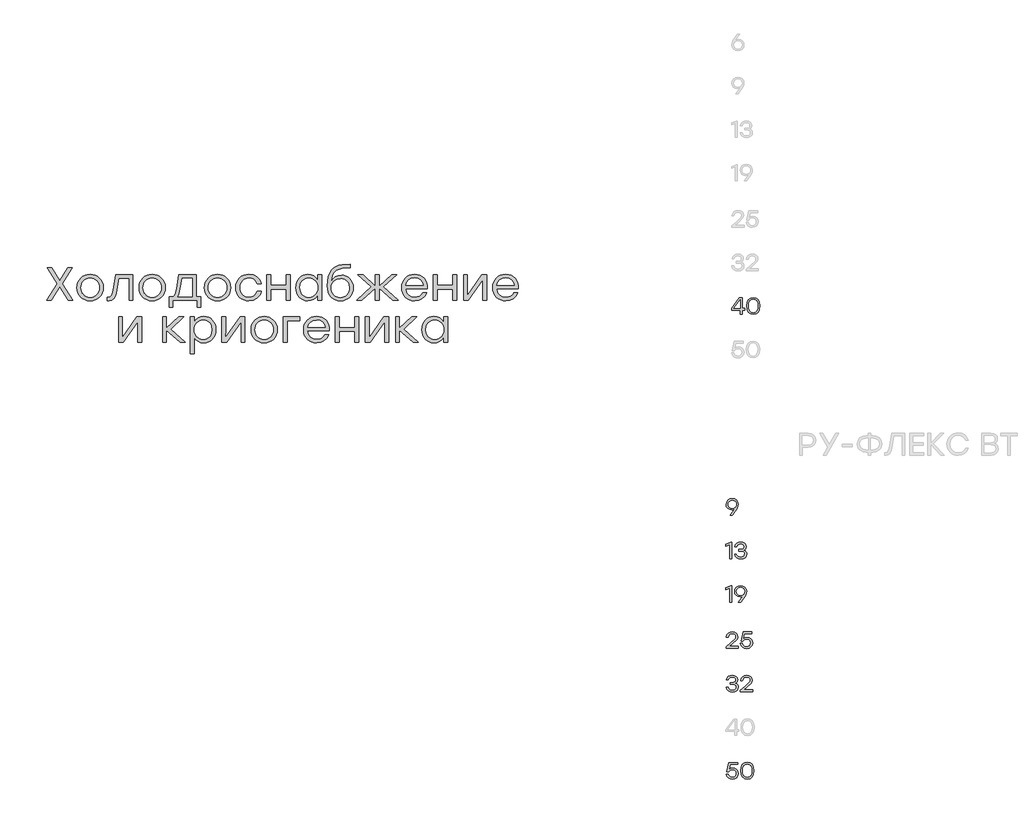
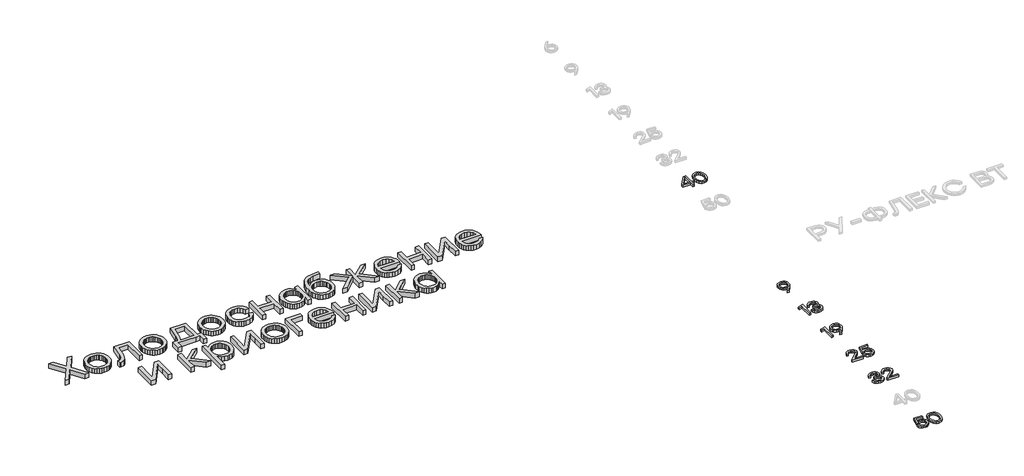
# One storey, part 15 of 41: 8 proxies.
"""IFC4 building model written with IfcOpenShell, lengths in millimetres."""

from ifc_helpers import new_model, si_unit, origin, origin_with_axes, place, context, project, spatial, polyline, outline, extrude, element, save

model = new_model("IFC4")

# Units and contexts
model_context = context("Model", 3, world=origin())
ifc_project = project(units=[si_unit("LENGTHUNIT", "METRE", prefix="MILLI")], contexts=[model_context])

# Site, building, storey
site = spatial("IfcSite", under=ifc_project)
building = spatial("IfcBuilding", under=site)
storey = spatial("IfcBuildingStorey", under=building, Elevation=0.0)

# Proxies
placement = place(None, origin())
element("IfcBuildingElementProxy", 1, Name="Generic Models", at=placement, inside=storey, context=model_context, shape_type="SweptSolid", body=[
    extrude(outline(polyline([(567.7475347, -34199.6682777), (525.5431997, -34199.6682777), (447.1522579, -34076.104255), (369.0822617, -34199.6682777), (326.9581631, -34199.6682777), (425.4081994, -34046.2563222), (331.2106911, -33901.3494228), (373.4150262, -33901.3494228), (447.5534398, -34018.0933534), (522.1732718, -33901.3494228), (564.2973704, -33901.3494228), (469.2974984, -34048.342468), (567.7475347, -34199.6682777)])), origin_with_axes(), (0.0, 0.0, 1.0), 50.0),
    extrude(outline(polyline([(727.4179278, -33960.56387), (751.7997573, -33962.735267), (774.2358546, -33969.249458), (794.7262197, -33980.106443), (813.2708527, -33995.3062219), (828.6461487, -34013.7831554), (839.628503, -34034.4716041), (846.2179156, -34057.371568), (848.4143865, -34082.4830471), (846.2304525, -34107.5920187), (839.6786507, -34130.4844604), (828.7589811, -34151.1603722), (813.4714436, -34169.619754), (794.9894954, -34184.8019813), (774.4865933, -34195.6464293), (751.9627374, -34202.1530981), (727.4179278, -34204.3219877), (703.0135318, -34202.1380538), (680.5899714, -34195.586252), (660.1472466, -34184.6665824), (641.6853574, -34169.3790449), (626.39782, -34150.8419341), (615.4781503, -34130.1735445), (608.9263486, -34107.3738761), (606.7424146, -34082.4429289), (608.9413929, -34057.5119817), (615.5383276, -34034.7123132), (626.5332188, -34014.0439236), (641.9260666, -33995.5068128), (660.4631774, -33980.2192754), (680.8908578, -33969.2996057), (703.209108, -33962.747804), (727.4179278, -33960.56387)]), holes=[polyline([(787.9161571, -34019.2166627), (774.8652087, -34008.2995004), (760.425168, -34000.5015274), (744.5960349, -33995.8227436), (727.3778096, -33994.263149), (710.1721212, -33995.8202362), (694.380599, -34000.4914978), (680.0032429, -34008.2769339), (667.040053, -34019.1765445), (656.3159596, -34032.4732168), (648.6558928, -34047.4498383), (644.0598528, -34064.106409), (642.5278394, -34082.4429289), (644.0598528, -34100.7819561), (648.6558928, -34117.446049), (656.3159596, -34132.4352074), (667.040053, -34145.7494314), (680.0057503, -34156.6665937), (694.3906285, -34164.4645667), (710.1946877, -34169.1433505), (727.4179278, -34170.7029451), (744.7815816, -34169.1433505), (760.6859362, -34164.4645667), (775.1309917, -34156.6665937), (788.1167481, -34145.7494314), (798.8408415, -34132.4352074), (806.5009083, -34117.446049), (811.0969483, -34100.7819561), (812.6289617, -34082.4429289), (811.0844114, -34064.1089164), (806.4507605, -34047.4598679), (798.7280091, -34032.4957833), (787.9161571, -34019.2166627)])]), origin_with_axes(), (0.0, 0.0, 1.0), 50.0),
    extrude(outline(polyline([(961.7081528, -33965.21758), (1121.0576003, -33965.21758), (1121.0576003, -34199.6682777), (1085.6733575, -34199.6682777), (1085.6733575, -33998.515677), (991.4758492, -33998.515677), (974.0645551, -34108.4395155), (963.3128804, -34152.6698191), (948.2284412, -34182.1767473), (928.1492875, -34198.7856776), (902.4134691, -34204.3219877), (883.2369747, -34203.0382056), (883.2369747, -34170.7029451), (895.593377, -34171.5053089), (911.7108595, -34168.0451151), (923.3150457, -34157.6645336), (931.9304268, -34137.916355), (939.0814941, -34106.3533696), (961.7081528, -33965.21758)])), origin_with_axes(), (0.0, 0.0, 1.0), 50.0),
    extrude(outline(polyline([(1297.4171601, -33960.56387), (1321.7989896, -33962.735267), (1344.2350869, -33969.249458), (1364.7254521, -33980.106443), (1383.270085, -33995.3062219), (1398.6453811, -34013.7831554), (1409.6277354, -34034.4716041), (1416.2171479, -34057.371568), (1418.4136188, -34082.4830471), (1416.2296849, -34107.5920187), (1409.6778831, -34130.4844604), (1398.7582135, -34151.1603722), (1383.470676, -34169.619754), (1364.9887277, -34184.8019813), (1344.4858256, -34195.6464293), (1321.9619698, -34202.1530981), (1297.4171601, -34204.3219877), (1273.0127642, -34202.1380538), (1250.5892038, -34195.586252), (1230.146479, -34184.6665824), (1211.6845898, -34169.3790449), (1196.3970523, -34150.8419341), (1185.4773827, -34130.1735445), (1178.9255809, -34107.3738761), (1176.741647, -34082.4429289), (1178.9406252, -34057.5119817), (1185.53756, -34034.7123132), (1196.5324512, -34014.0439236), (1211.9252989, -33995.5068128), (1230.4624097, -33980.2192754), (1250.8900902, -33969.2996057), (1273.2083403, -33962.747804), (1297.4171601, -33960.56387)]), holes=[polyline([(1357.9153895, -34019.2166627), (1344.864441, -34008.2995004), (1330.4244003, -34000.5015274), (1314.5952673, -33995.8227436), (1297.3770419, -33994.263149), (1280.1713535, -33995.8202362), (1264.3798313, -34000.4914978), (1250.0024753, -34008.2769339), (1237.0392854, -34019.1765445), (1226.3151919, -34032.4732168), (1218.6551252, -34047.4498383), (1214.0590851, -34064.106409), (1212.5270718, -34082.4429289), (1214.0590851, -34100.7819561), (1218.6551252, -34117.446049), (1226.3151919, -34132.4352074), (1237.0392854, -34145.7494314), (1250.0049826, -34156.6665937), (1264.3898609, -34164.4645667), (1280.19392, -34169.1433505), (1297.4171601, -34170.7029451), (1314.7808139, -34169.1433505), (1330.6851685, -34164.4645667), (1345.130224, -34156.6665937), (1358.1159804, -34145.7494314), (1368.8400739, -34132.4352074), (1376.5001406, -34117.446049), (1381.0961807, -34100.7819561), (1382.628194, -34082.4429289), (1381.0836437, -34064.1089164), (1376.4499929, -34047.4598679), (1368.7272415, -34032.4957833), (1357.9153895, -34019.2166627)])]), origin_with_axes(), (0.0, 0.0, 1.0), 50.0),
    extrude(outline(polyline([(1702.6108712, -34166.4504171), (1745.2163881, -34166.4504171), (1745.2163881, -34262.3328893), (1709.8321452, -34262.3328893), (1709.8321452, -34199.6682777), (1667.2266283, -34199.6682777), (1488.6204499, -34199.6682777), (1488.6204499, -34262.3328893), (1453.236207, -34262.3328893), (1453.236207, -34166.4504171), (1493.2741599, -34166.4504171), (1502.2506047, -34156.8772142), (1510.0034448, -34141.3966079), (1521.8383106, -34092.7131853), (1542.2985871, -33965.21758), (1702.6108712, -33965.21758), (1702.6108712, -34166.4504171)]), holes=[polyline([(1532.9109308, -34166.4504171), (1667.2266283, -34166.4504171), (1667.2266283, -33998.515677), (1572.5477018, -33998.515677), (1557.2225535, -34093.5155491), (1546.8921198, -34138.1871528), (1532.9109308, -34166.4504171)])]), origin_with_axes(), (0.0, 0.0, 1.0), 50.0),
    extrude(outline(polyline([(1898.2271618, -33960.56387), (1922.6089913, -33962.735267), (1945.0450886, -33969.249458), (1965.5354537, -33980.106443), (1984.0800867, -33995.3062219), (1999.4553827, -34013.7831554), (2010.437737, -34034.4716041), (2017.0271496, -34057.371568), (2019.2236205, -34082.4830471), (2017.0396865, -34107.5920187), (2010.4878848, -34130.4844604), (1999.5682151, -34151.1603722), (1984.2806777, -34169.619754), (1965.7987294, -34184.8019813), (1945.2958273, -34195.6464293), (1922.7719714, -34202.1530981), (1898.2271618, -34204.3219877), (1873.8227658, -34202.1380538), (1851.3992054, -34195.586252), (1830.9564806, -34184.6665824), (1812.4945914, -34169.3790449), (1797.207054, -34150.8419341), (1786.2873843, -34130.1735445), (1779.7355826, -34107.3738761), (1777.5516486, -34082.4429289), (1779.7506269, -34057.5119817), (1786.3475616, -34034.7123132), (1797.3424529, -34014.0439236), (1812.7353006, -33995.5068128), (1831.2724114, -33980.2192754), (1851.7000919, -33969.2996057), (1874.018342, -33962.747804), (1898.2271618, -33960.56387)]), holes=[polyline([(1958.7253911, -34019.2166627), (1945.6744427, -34008.2995004), (1931.234402, -34000.5015274), (1915.4052689, -33995.8227436), (1898.1870436, -33994.263149), (1880.9813552, -33995.8202362), (1865.189833, -34000.4914978), (1850.8124769, -34008.2769339), (1837.849287, -34019.1765445), (1827.1251936, -34032.4732168), (1819.4651268, -34047.4498383), (1814.8690868, -34064.106409), (1813.3370734, -34082.4429289), (1814.8690868, -34100.7819561), (1819.4651268, -34117.446049), (1827.1251936, -34132.4352074), (1837.849287, -34145.7494314), (1850.8149843, -34156.6665937), (1865.1998625, -34164.4645667), (1881.0039217, -34169.1433505), (1898.2271618, -34170.7029451), (1915.5908156, -34169.1433505), (1931.4951702, -34164.4645667), (1945.9402257, -34156.6665937), (1958.9259821, -34145.7494314), (1969.6500755, -34132.4352074), (1977.3101423, -34117.446049), (1981.9061823, -34100.7819561), (1983.4381957, -34082.4429289), (1981.8936454, -34064.1089164), (1977.2599945, -34047.4598679), (1969.5372431, -34032.4957833), (1958.7253911, -34019.2166627)])]), origin_with_axes(), (0.0, 0.0, 1.0), 50.0),
    extrude(outline(polyline([(2186.195524, -34204.3219877), (2161.4526308, -34202.1530981), (2138.8159425, -34195.6464293), (2118.2854592, -34184.8019813), (2099.8611808, -34169.619754), (2084.6614018, -34151.1603722), (2073.8044169, -34130.4844604), (2067.2902259, -34107.5920187), (2065.1188289, -34082.4830471), (2067.2902259, -34057.371568), (2073.8044169, -34034.4716041), (2084.6614018, -34013.7831554), (2099.8611808, -33995.3062219), (2118.2854592, -33980.106443), (2138.8159425, -33969.249458), (2161.4526308, -33962.735267), (2186.195524, -33960.56387), (2225.3809653, -33966.4211257), (2243.0705793, -33973.7426952), (2259.4914557, -33983.9928925), (2273.8612896, -33996.7203881), (2285.3977763, -34011.4738521), (2294.100916, -34028.2532848), (2299.9707086, -34047.058686), (2263.3026836, -34047.058686), (2252.0094134, -34024.903416), (2234.337351, -34007.8632151), (2211.8711651, -33997.0012154), (2186.195524, -33993.3805488), (2168.4708065, -33994.9526804), (2152.3658609, -33999.669075), (2137.8806872, -34007.5297327), (2125.0152854, -34018.5346534), (2114.466709, -34031.9642173), (2106.9320116, -34047.0988042), (2102.4111932, -34063.9384141), (2100.9042537, -34082.4830471), (2102.4111932, -34101.0251726), (2106.9320116, -34117.8572604), (2114.466709, -34132.9793103), (2125.0152854, -34146.3913225), (2137.8806872, -34157.3786915), (2152.3658609, -34165.2268123), (2168.4708065, -34169.9356848), (2186.195524, -34171.5053089), (2211.8210173, -34167.8846423), (2234.1367601, -34157.0226426), (2251.7586747, -34139.9824417), (2263.3026836, -34117.8271718), (2299.9707086, -34117.8271718), (2293.8928029, -34136.7955531), (2285.0467422, -34153.6627443), (2273.4325264, -34168.4287453), (2259.0501556, -34181.0935561), (2225.0700493, -34198.5148798), (2186.195524, -34204.3219877)])), origin_with_axes(), (0.0, 0.0, 1.0), 50.0),
    extrude(outline(polyline([(2531.2119512, -33965.21758), (2566.5961941, -33965.21758), (2566.5961941, -34199.6682777), (2531.2119512, -34199.6682777), (2531.2119512, -34096.4842951), (2387.1876519, -34096.4842951), (2387.1876519, -34199.6682777), (2351.803409, -34199.6682777), (2351.803409, -33965.21758), (2387.1876519, -33965.21758), (2387.1876519, -34062.8652525), (2531.2119512, -34062.8652525), (2531.2119512, -33965.21758)])), origin_with_axes(), (0.0, 0.0, 1.0), 50.0),
    extrude(outline(polyline([(2819.6617317, -33965.21758), (2854.9657382, -33965.21758), (2854.9657382, -34199.6682777), (2819.6617317, -34199.6682777), (2819.6617317, -34152.3288145), (2803.2634218, -34174.0227253), (2782.3116975, -34190.4812124), (2757.4283906, -34200.8617939), (2729.2353332, -34204.3219877), (2706.4181131, -34202.178172), (2685.7070979, -34195.7467248), (2667.1022876, -34185.0276461), (2650.6036823, -34170.0209359), (2637.0888673, -34151.6844161), (2627.435428, -34130.9759083), (2621.6433645, -34107.8954125), (2619.7126766, -34082.4429289), (2621.6433645, -34056.9904452), (2627.435428, -34033.9099495), (2637.0888673, -34013.2014417), (2650.6036823, -33994.8649218), (2667.1022876, -33979.8582117), (2685.7070979, -33969.139133), (2706.4181131, -33962.7076858), (2729.2353332, -33960.56387), (2757.4885679, -33964.0842411), (2782.5524066, -33974.6453544), (2803.5643082, -33991.3846689), (2819.6617317, -34013.4396434), (2819.6617317, -33965.21758)]), holes=[polyline([(2736.0554253, -34170.7029451), (2753.4140643, -34169.1433505), (2769.2231383, -34164.4645667), (2783.4826471, -34156.6665937), (2796.192591, -34145.7494314), (2806.6358571, -34132.4352074), (2814.0953329, -34117.446049), (2818.5710184, -34100.7819561), (2820.0629135, -34082.4429289), (2818.5710184, -34064.106409), (2814.0953329, -34047.4498383), (2806.6358571, -34032.4732168), (2796.192591, -34019.1765445), (2783.4826471, -34008.2769339), (2769.2231383, -34000.4914978), (2753.4140643, -33995.8202362), (2736.0554253, -33994.263149), (2719.0001801, -33995.8202362), (2703.6198694, -34000.4914978), (2689.914493, -34008.2769339), (2677.884051, -34019.1765445), (2668.090198, -34032.4732168), (2661.0945888, -34047.4498383), (2655.4981014, -34082.4429289), (2661.1547661, -34117.7469354), (2668.2255969, -34132.7511381), (2678.1247601, -34145.9901406), (2690.2304237, -34156.8019926), (2703.9207558, -34164.524744), (2719.1957563, -34169.1583949), (2736.0554253, -34170.7029451)])]), origin_with_axes(), (0.0, 0.0, 1.0), 50.0),
    extrude(outline(polyline([(3038.1453901, -33969.0689261), (3060.5639357, -33971.0547765), (3080.9615276, -33977.0123276), (3099.3381656, -33986.9415794), (3115.6938499, -34000.842532), (3129.1209063, -34017.9128215), (3138.7116609, -34037.3500842), (3144.4661137, -34059.15432), (3146.3842646, -34083.325529), (3144.2680301, -34108.9134116), (3137.9193267, -34131.9989221), (3127.3381543, -34152.5820605), (3112.5245129, -34170.6628269), (3094.511446, -34185.3887098), (3074.3319968, -34195.9071975), (3051.9861654, -34202.2182901), (3027.4739518, -34204.3219877), (3002.7736842, -34202.1129799), (2980.2648726, -34195.4859565), (2959.9475172, -34184.4409176), (2941.8216178, -34168.977863), (2926.8901293, -34149.4377975), (2916.1560063, -34126.1617256), (2909.6192488, -34099.1496473), (2907.2798569, -34068.4015626), (2909.626771, -34021.3629858), (2916.6675132, -33981.6660376), (2927.7601925, -33949.110127), (2942.2629179, -33923.4946632), (2961.2889691, -33903.6863073), (2985.9516259, -33888.5517204), (3014.2349493, -33877.8301343), (3044.1230003, -33871.2607808), (3118.7027141, -33866.7675437), (3118.7027141, -33900.0656407), (3043.4811093, -33904.9600598), (3015.8998542, -33912.0409202), (2991.4879361, -33923.4946632), (2971.6494915, -33939.9030026), (2957.7886571, -33961.8476521), (2948.8924487, -33990.1911528), (2943.9478818, -34025.7960457), (2959.9149211, -34001.6549253), (2982.3008707, -33983.7923016), (3009.0597029, -33972.74977), (3038.1453901, -33969.0689261)]), holes=[polyline([(2966.4943042, -34149.1995957), (2979.0437752, -34159.9061375), (2993.1829296, -34167.5536673), (3008.9117671, -34172.1421852), (3026.2302879, -34173.6716911), (3043.5964491, -34172.1396778), (3059.4682077, -34167.5436377), (3073.8455637, -34159.883571), (3086.7285173, -34149.1594775), (3097.3473005, -34135.9580859), (3104.9321456, -34120.8661246), (3109.4830527, -34103.8835936), (3111.0000217, -34085.010493), (3105.3032389, -34050.6392344), (3098.1822603, -34036.1390164), (3088.2128903, -34023.4290725), (3076.0320051, -34013.0911166), (3062.2764809, -34005.7068624), (3046.9463179, -34001.2763099), (3030.0415159, -33999.7994591), (2996.8035961, -34005.7068624), (2982.095265, -34013.0911166), (2968.6606864, -34023.4290725), (2957.4626968, -34036.1139425), (2949.4641329, -34050.5389389), (2944.6649945, -34066.7040618), (2943.0652817, -34084.6093111), (2944.5295956, -34103.6604362), (2948.9225373, -34120.7758587), (2956.2441068, -34135.9555785), (2966.4943042, -34149.1995957)])]), origin_with_axes(), (0.0, 0.0, 1.0), 50.0),
    extrude(outline(polyline([(3557.5154677, -34199.6682777), (3511.0586046, -34199.6682777), (3385.8096178, -34086.294275), (3385.8096178, -34199.6682777), (3350.425375, -34199.6682777), (3350.425375, -34086.294275), (3225.0961518, -34199.6682777), (3178.6392887, -34199.6682777), (3312.8747498, -34076.5054369), (3189.3107271, -33965.21758), (3235.7675902, -33965.21758), (3350.425375, -34070.0865266), (3350.425375, -33965.21758), (3385.8096178, -33965.21758), (3385.8096178, -34070.0865266), (3500.4674026, -33965.21758), (3546.9242657, -33965.21758), (3423.2800066, -34076.5054369), (3557.5154677, -34199.6682777)])), origin_with_axes(), (0.0, 0.0, 1.0), 50.0),
    extrude(outline(polyline([(3710.0448231, -33960.56387), (3735.9386068, -33962.8806955), (3759.0592207, -33969.8311717), (3779.4066648, -33981.4152989), (3796.9809391, -33997.6330769), (3811.0147832, -34017.5016101), (3820.7409367, -34040.0380029), (3826.1593996, -34065.2422552), (3827.2701719, -34093.1143672), (3626.5187531, -34093.1143672), (3634.3016818, -34125.5298641), (3642.1046696, -34138.8491029), (3652.5153397, -34150.2426686), (3679.0334628, -34165.8887624), (3711.729787, -34171.104127), (3735.9912619, -34168.5465925), (3756.3010952, -34160.8739888), (3772.6592869, -34148.086316), (3785.0658369, -34130.183574), (3821.7338618, -34130.183574), (3803.4901153, -34162.1176526), (3777.8044446, -34185.3862024), (3746.2615184, -34199.5880414), (3710.446005, -34204.3219877), (3685.4047327, -34202.2057532), (3662.6752711, -34195.8570498), (3642.2576202, -34185.2758774), (3624.15178, -34170.462236), (3609.3205869, -34152.3187849), (3598.7268775, -34131.7481834), (3592.3706519, -34108.7504314), (3590.2519101, -34083.325529), (3592.358115, -34057.8454641), (3598.6767298, -34034.6822246), (3609.2077545, -34013.8358105), (3623.951189, -33995.3062219), (3641.9692707, -33980.106443), (3662.324237, -33969.249458), (3685.0160878, -33962.735267), (3710.0448231, -33960.56387)]), holes=[polyline([(3710.0448231, -33993.7817307), (3680.9089881, -33998.3652338), (3656.5672768, -34012.1157432), (3638.5040621, -34033.2279402), (3628.2037171, -34059.8965065), (3788.9171831, -34059.8965065), (3779.1885222, -34032.9772016), (3762.0379963, -34011.9151522), (3738.6089738, -33998.3150861), (3710.0448231, -33993.7817307)])]), origin_with_axes(), (0.0, 0.0, 1.0), 50.0),
    extrude(outline(polyline([(4061.4801606, -33965.21758), (4096.8644035, -33965.21758), (4096.8644035, -34199.6682777), (4061.4801606, -34199.6682777), (4061.4801606, -34096.4842951), (3917.4558613, -34096.4842951), (3917.4558613, -34199.6682777), (3882.0716184, -34199.6682777), (3882.0716184, -33965.21758), (3917.4558613, -33965.21758), (3917.4558613, -34062.8652525), (4061.4801606, -34062.8652525), (4061.4801606, -33965.21758)])), origin_with_axes(), (0.0, 0.0, 1.0), 50.0),
    extrude(outline(polyline([(4327.7044642, -33965.21758), (4371.1925813, -33965.21758), (4371.1925813, -34199.6682777), (4335.8083384, -34199.6682777), (4335.8083384, -34087.1768752), (4337.9747206, -34008.3045152), (4202.8566594, -34199.6682777), (4159.3685423, -34199.6682777), (4159.3685423, -33965.21758), (4194.7527851, -33965.21758), (4194.7527851, -34077.7892189), (4192.5864029, -34156.1801606), (4327.7044642, -33965.21758)])), origin_with_axes(), (0.0, 0.0, 1.0), 50.0),
    extrude(outline(polyline([(4547.0707228, -33960.56387), (4572.9645066, -33962.8806955), (4596.0851205, -33969.8311717), (4616.4325646, -33981.4152989), (4634.0068388, -33997.6330769), (4648.0406829, -34017.5016101), (4657.7668364, -34040.0380029), (4663.1852993, -34065.2422552), (4664.2960717, -34093.1143672), (4463.5446529, -34093.1143672), (4471.3275816, -34125.5298641), (4479.1305694, -34138.8491029), (4489.5412395, -34150.2426686), (4516.0593626, -34165.8887624), (4548.7556868, -34171.104127), (4573.0171617, -34168.5465925), (4593.326995, -34160.8739888), (4609.6851866, -34148.086316), (4622.0917366, -34130.183574), (4658.7597616, -34130.183574), (4640.516015, -34162.1176526), (4614.8303444, -34185.3862024), (4583.2874181, -34199.5880414), (4547.4719047, -34204.3219877), (4522.4306325, -34202.2057532), (4499.7011709, -34195.8570498), (4479.28352, -34185.2758774), (4461.1776797, -34170.462236), (4446.3464866, -34152.3187849), (4435.7527773, -34131.7481834), (4429.3965517, -34108.7504314), (4427.2778098, -34083.325529), (4429.3840148, -34057.8454641), (4435.7026296, -34034.6822246), (4446.2336542, -34013.8358105), (4460.9770888, -33995.3062219), (4478.9951705, -33980.106443), (4499.3501367, -33969.249458), (4522.0419875, -33962.735267), (4547.0707228, -33960.56387)]), holes=[polyline([(4547.0707228, -33993.7817307), (4517.9348879, -33998.3652338), (4493.5931766, -34012.1157432), (4475.5299619, -34033.2279402), (4465.2296168, -34059.8965065), (4625.9430828, -34059.8965065), (4616.2144219, -34032.9772016), (4599.063896, -34011.9151522), (4575.6348735, -33998.3150861), (4547.0707228, -33993.7817307)])]), origin_with_axes(), (0.0, 0.0, 1.0), 50.0),
    extrude(outline(polyline([(1156.7627887, -34351.6504312), (1200.2509059, -34351.6504312), (1200.2509059, -34586.101129), (1164.866663, -34586.101129), (1164.866663, -34473.6097264), (1167.0330452, -34394.7373664), (1031.9149839, -34586.101129), (988.4268668, -34586.101129), (988.4268668, -34351.6504312), (1023.8111097, -34351.6504312), (1023.8111097, -34464.2220701), (1021.6447275, -34542.6130119), (1156.7627887, -34351.6504312)])), origin_with_axes(), (0.0, 0.0, 1.0), 50.0),
    extrude(outline(polyline([(1601.2723252, -34586.101129), (1554.8154621, -34586.101129), (1429.486239, -34473.1283081), (1429.486239, -34586.101129), (1394.1019961, -34586.101129), (1394.1019961, -34351.6504312), (1429.486239, -34351.6504312), (1429.486239, -34456.1181959), (1543.7428419, -34351.6504312), (1590.199705, -34351.6504312), (1466.9566277, -34462.9382881), (1601.2723252, -34586.101129)])), origin_with_axes(), (0.0, 0.0, 1.0), 50.0),
    extrude(outline(polyline([(1773.6200661, -34346.9967213), (1796.4372862, -34349.140537), (1817.1483014, -34355.5719842), (1835.7531116, -34366.2910629), (1852.251717, -34381.297773), (1865.7665319, -34399.6342929), (1875.4199712, -34420.3428007), (1881.2120348, -34443.4232964), (1883.1427227, -34468.8757801), (1881.1969905, -34494.3282638), (1875.3597939, -34517.4087595), (1865.6311331, -34538.1172673), (1852.0110078, -34556.4537871), (1835.4070923, -34571.4604973), (1816.7270604, -34582.179576), (1795.9709123, -34588.6110232), (1773.1386478, -34590.7548389), (1745.0057676, -34587.2946451), (1720.1425199, -34576.9140636), (1699.3111501, -34560.4555765), (1683.273904, -34538.7616657), (1683.273904, -34692.6550395), (1647.8896611, -34692.6550395), (1647.8896611, -34351.6504312), (1683.273904, -34351.6504312), (1683.273904, -34399.8724946), (1699.3612979, -34377.8175201), (1720.3431108, -34361.0782057), (1745.3768609, -34350.5170924), (1773.6200661, -34346.9967213)]), holes=[polyline([(1766.7999739, -34557.1357964), (1783.692239, -34555.5912461), (1798.9847912, -34550.9575952), (1812.6776307, -34543.2348438), (1824.7707573, -34532.4229918), (1834.6523688, -34519.1839894), (1841.7106627, -34504.1797866), (1847.3572979, -34468.8757801), (1841.7106627, -34433.8826895), (1834.6523688, -34418.906068), (1824.7707573, -34405.6093957), (1812.6776307, -34394.7097852), (1798.9847912, -34386.9243491), (1783.692239, -34382.2530874), (1766.7999739, -34380.6960002), (1749.4413349, -34382.2530874), (1733.632261, -34386.9243491), (1719.3727521, -34394.7097852), (1706.6628083, -34405.6093957), (1696.2195422, -34418.906068), (1688.7600664, -34433.8826895), (1684.2843809, -34450.5392602), (1682.7924857, -34468.8757801), (1684.2843809, -34487.2148073), (1688.7600664, -34503.8789002), (1696.2195422, -34518.8680586), (1706.6628083, -34532.1822827), (1719.3727521, -34543.0994449), (1733.632261, -34550.8974179), (1749.4413349, -34555.5762017), (1766.7999739, -34557.1357964)])]), origin_with_axes(), (0.0, 0.0, 1.0), 50.0),
    extrude(outline(polyline([(2106.7615093, -34351.6504312), (2150.2496264, -34351.6504312), (2150.2496264, -34586.101129), (2114.8653835, -34586.101129), (2114.8653835, -34473.6097264), (2117.0317658, -34394.7373664), (1981.9137045, -34586.101129), (1938.4255874, -34586.101129), (1938.4255874, -34351.6504312), (1973.8098303, -34351.6504312), (1973.8098303, -34464.2220701), (1971.6434481, -34542.6130119), (2106.7615093, -34351.6504312)])), origin_with_axes(), (0.0, 0.0, 1.0), 50.0),
    extrude(outline(polyline([(2327.0103681, -34346.9967213), (2351.3921976, -34349.1681182), (2373.8282949, -34355.6823092), (2394.3186601, -34366.5392942), (2412.863293, -34381.7390731), (2428.238589, -34400.2160066), (2439.2209433, -34420.9044553), (2445.8103559, -34443.8044192), (2448.0068268, -34468.9158983), (2445.8228929, -34494.0248699), (2439.2710911, -34516.9173117), (2428.3514215, -34537.5932234), (2413.063884, -34556.0526052), (2394.5819357, -34571.2348325), (2374.0790336, -34582.0792805), (2351.5551777, -34588.5859493), (2327.0103681, -34590.7548389), (2302.6059721, -34588.570905), (2280.1824118, -34582.0191032), (2259.739687, -34571.0994336), (2241.2777978, -34555.8118961), (2225.9902603, -34537.2747853), (2215.0705907, -34516.6063957), (2208.5187889, -34493.8067273), (2206.334855, -34468.8757801), (2208.5338332, -34443.9448329), (2215.1307679, -34421.1451645), (2226.1256592, -34400.4767749), (2241.5185069, -34381.9396641), (2260.0556177, -34366.6521266), (2280.4832982, -34355.732457), (2302.8015483, -34349.1806552), (2327.0103681, -34346.9967213)]), holes=[polyline([(2387.5085974, -34405.6495139), (2374.457649, -34394.7323516), (2360.0176083, -34386.9343786), (2344.1884753, -34382.2555948), (2326.9702499, -34380.6960002), (2309.7645615, -34382.2530874), (2293.9730393, -34386.9243491), (2279.5956832, -34394.7097852), (2266.6324933, -34405.6093957), (2255.9083999, -34418.906068), (2248.2483331, -34433.8826895), (2243.6522931, -34450.5392602), (2242.1202797, -34468.8757801), (2243.6522931, -34487.2148073), (2248.2483331, -34503.8789002), (2255.9083999, -34518.8680586), (2266.6324933, -34532.1822827), (2279.5981906, -34543.0994449), (2293.9830688, -34550.8974179), (2309.787128, -34555.5762017), (2327.0103681, -34557.1357964), (2344.3740219, -34555.5762017), (2360.2783765, -34550.8974179), (2374.723432, -34543.0994449), (2387.7091884, -34532.1822827), (2398.4332818, -34518.8680586), (2406.0933486, -34503.8789002), (2410.6893886, -34487.2148073), (2412.221402, -34468.8757801), (2410.6768517, -34450.5417676), (2406.0432009, -34433.8927191), (2398.3204494, -34418.9286345), (2387.5085974, -34405.6495139)])]), origin_with_axes(), (0.0, 0.0, 1.0), 50.0),
    extrude(outline(polyline([(2655.8992833, -34351.6504312), (2655.8992833, -34384.9485282), (2538.6739344, -34384.9485282), (2538.6739344, -34586.101129), (2503.2896915, -34586.101129), (2503.2896915, -34351.6504312), (2655.8992833, -34351.6504312)])), origin_with_axes(), (0.0, 0.0, 1.0), 50.0),
    extrude(outline(polyline([(2808.8298206, -34346.9967213), (2834.7236043, -34349.3135467), (2857.8442182, -34356.264023), (2878.1916623, -34367.8481501), (2895.7659366, -34384.0659281), (2909.7997807, -34403.9344613), (2919.5259342, -34426.4708541), (2924.9443971, -34451.6751065), (2926.0551694, -34479.5472184), (2725.3037506, -34479.5472184), (2733.0866793, -34511.9627153), (2740.8896671, -34525.2819541), (2751.3003372, -34536.6755199), (2777.8184603, -34552.3216136), (2810.5147845, -34557.5369782), (2834.7762594, -34554.9794437), (2855.0860927, -34547.30684), (2871.4442844, -34534.5191672), (2883.8508344, -34516.6164252), (2920.5188593, -34516.6164252), (2902.2751128, -34548.5505039), (2876.5894421, -34571.8190536), (2845.0465159, -34586.0208926), (2809.2310025, -34590.7548389), (2784.1897302, -34588.6386044), (2761.4602687, -34582.289901), (2741.0426177, -34571.7087286), (2722.9367775, -34556.8950872), (2708.1055844, -34538.7516361), (2697.511875, -34518.1810346), (2691.1556494, -34495.1832827), (2689.0369076, -34469.7583802), (2691.1431125, -34444.2783153), (2697.4617273, -34421.1150758), (2707.992752, -34400.2686618), (2722.7361865, -34381.7390731), (2740.7542682, -34366.5392942), (2761.1092345, -34355.6823092), (2783.8010853, -34349.1681182), (2808.8298206, -34346.9967213)]), holes=[polyline([(2808.8298206, -34380.2145819), (2779.6939857, -34384.798085), (2755.3522743, -34398.5485944), (2737.2890597, -34419.6607915), (2726.9887146, -34446.3293577), (2887.7021806, -34446.3293577), (2877.9735197, -34419.4100528), (2860.8229938, -34398.3480034), (2837.3939713, -34384.7479373), (2808.8298206, -34380.2145819)])]), origin_with_axes(), (0.0, 0.0, 1.0), 50.0),
    extrude(outline(polyline([(3160.2651581, -34351.6504312), (3195.649401, -34351.6504312), (3195.649401, -34586.101129), (3160.2651581, -34586.101129), (3160.2651581, -34482.9171463), (3016.2408588, -34482.9171463), (3016.2408588, -34586.101129), (2980.8566159, -34586.101129), (2980.8566159, -34351.6504312), (3016.2408588, -34351.6504312), (3016.2408588, -34449.2981037), (3160.2651581, -34449.2981037), (3160.2651581, -34351.6504312)])), origin_with_axes(), (0.0, 0.0, 1.0), 50.0),
    extrude(outline(polyline([(3426.4894617, -34351.6504312), (3469.9775788, -34351.6504312), (3469.9775788, -34586.101129), (3434.5933359, -34586.101129), (3434.5933359, -34473.6097264), (3436.7597181, -34394.7373664), (3301.6416569, -34586.101129), (3258.1535398, -34586.101129), (3258.1535398, -34351.6504312), (3293.5377826, -34351.6504312), (3293.5377826, -34464.2220701), (3291.3714004, -34542.6130119), (3426.4894617, -34351.6504312)])), origin_with_axes(), (0.0, 0.0, 1.0), 50.0),
    extrude(outline(polyline([(3742.6207927, -34586.101129), (3696.1639296, -34586.101129), (3570.8347065, -34473.1283081), (3570.8347065, -34586.101129), (3535.4504636, -34586.101129), (3535.4504636, -34351.6504312), (3570.8347065, -34351.6504312), (3570.8347065, -34456.1181959), (3685.0913094, -34351.6504312), (3731.5481725, -34351.6504312), (3608.3050952, -34462.9382881), (3742.6207927, -34586.101129)])), origin_with_axes(), (0.0, 0.0, 1.0), 50.0),
    extrude(outline(polyline([(3977.6331451, -34351.6504312), (4012.9371516, -34351.6504312), (4012.9371516, -34586.101129), (3977.6331451, -34586.101129), (3977.6331451, -34538.7616657), (3961.2348353, -34560.4555765), (3940.283111, -34576.9140636), (3915.3998041, -34587.2946451), (3887.2067466, -34590.7548389), (3864.3895265, -34588.6110232), (3843.6785113, -34582.179576), (3825.0737011, -34571.4604973), (3808.5750958, -34556.4537871), (3795.0602808, -34538.1172673), (3785.4068415, -34517.4087595), (3779.6147779, -34494.3282638), (3777.6840901, -34468.8757801), (3779.6147779, -34443.4232964), (3785.4068415, -34420.3428007), (3795.0602808, -34399.6342929), (3808.5750958, -34381.297773), (3825.0737011, -34366.2910629), (3843.6785113, -34355.5719842), (3864.3895265, -34349.140537), (3887.2067466, -34346.9967213), (3915.4599814, -34350.5170924), (3940.5238201, -34361.0782057), (3961.5357217, -34377.8175201), (3977.6331451, -34399.8724946), (3977.6331451, -34351.6504312)]), holes=[polyline([(3894.0268388, -34557.1357964), (3911.3854778, -34555.5762017), (3927.1945517, -34550.8974179), (3941.4540606, -34543.0994449), (3954.1640044, -34532.1822827), (3964.6072706, -34518.8680586), (3972.0667464, -34503.8789002), (3976.5424318, -34487.2148073), (3978.034327, -34468.8757801), (3976.5424318, -34450.5392602), (3972.0667464, -34433.8826895), (3964.6072706, -34418.906068), (3954.1640044, -34405.6093957), (3941.4540606, -34394.7097852), (3927.1945517, -34386.9243491), (3911.3854778, -34382.2530874), (3894.0268388, -34380.6960002), (3876.9715936, -34382.2530874), (3861.5912828, -34386.9243491), (3847.8859064, -34394.7097852), (3835.8554644, -34405.6093957), (3826.0616115, -34418.906068), (3819.0660023, -34433.8826895), (3813.4695149, -34468.8757801), (3819.1261795, -34504.1797866), (3826.1970104, -34519.1839894), (3836.0961736, -34532.4229918), (3848.2018372, -34543.2348438), (3861.8921692, -34550.9575952), (3877.1671698, -34555.5912461), (3894.0268388, -34557.1357964)])]), origin_with_axes(), (0.0, 0.0, 1.0), 50.0),
])
element("IfcBuildingElementProxy", 2, Name="Generic Models", at=placement, inside=storey, context=model_context, shape_type="SweptSolid", body=[
    extrude(outline(polyline([(6743.1573021, -34273.4756649), (6743.1573021, -34290.217437), (6721.0904361, -34290.217437), (6721.0904361, -34326.2021618), (6703.2997818, -34326.2021618), (6703.2997818, -34290.217437), (6622.9392754, -34290.217437), (6622.9392754, -34273.4756649), (6694.5053087, -34176.2120197), (6721.0904361, -34176.2120197), (6721.0904361, -34273.4756649), (6743.1573021, -34273.4756649)]), holes=[polyline([(6642.6259858, -34273.2739568), (6703.2997818, -34273.2739568), (6703.2997818, -34192.9134503), (6701.5650922, -34192.9134503), (6642.6259858, -34273.2739568)])]), origin_with_axes(), (0.0, 0.0, 1.0), 20.0),
    extrude(outline(polyline([(6822.7513178, -34173.8318641), (6848.2573069, -34178.8947374), (6867.3288076, -34194.0833572), (6879.2195, -34218.4849945), (6883.1830642, -34251.18692), (6879.2195, -34283.8888454), (6867.3288076, -34308.2904827), (6848.2573069, -34323.4791025), (6822.7513178, -34328.5419758), (6797.3966098, -34323.5093587), (6778.2948529, -34308.4115075), (6766.3133919, -34284.0451692), (6762.3195715, -34251.2070908), (6766.3133919, -34218.3639696), (6778.2948529, -34193.9825032), (6797.3966098, -34178.8695239), (6822.7513178, -34173.8318641)]), holes=[polyline([(6791.5672458, -34296.9544875), (6804.9909198, -34307.9677497), (6822.7513178, -34311.6388371), (6840.5117159, -34307.9677497), (6853.9353899, -34296.9544875), (6862.3768738, -34278.1754636), (6865.1907018, -34251.2070908), (6862.3768738, -34224.238718), (6853.9353899, -34205.459694), (6840.5117159, -34194.4464318), (6822.7513178, -34190.7753444), (6804.9909198, -34194.4464318), (6791.5672458, -34205.459694), (6783.1257619, -34224.238718), (6780.3119339, -34251.2070908), (6783.1257619, -34278.1754636), (6791.5672458, -34296.9544875)])]), origin_with_axes(), (0.0, 0.0, 1.0), 20.0),
])
element("IfcBuildingElementProxy", 3, Name="Generic Models", at=placement, inside=storey, context=model_context, shape_type="SweptSolid", body=[
    extrude(outline(polyline([(6628.8021562, -36021.4157545), (6650.6723568, -36025.0616284), (6668.6798473, -36035.9992501), (6680.7369489, -36053.1494812), (6684.7559828, -36075.4331833), (6682.1287348, -36093.2742647), (6674.2469908, -36111.2162), (6632.4732436, -36170.8007724), (6630.0930881, -36173.7860522), (6609.3171539, -36173.7860522), (6651.9582459, -36116.7833436), (6637.9798747, -36122.7438179), (6623.8804786, -36124.7306427), (6604.2189817, -36121.3822882), (6587.6738749, -36111.3372249), (6576.4336911, -36095.5031392), (6572.6869632, -36074.7877174), (6576.7059971, -36053.2402498), (6588.7630986, -36036.2009582), (6606.8109308, -36025.1120554), (6628.8021562, -36021.4157545)]), holes=[polyline([(6628.6004481, -36110.7724422), (6643.9857333, -36108.3116034), (6656.2546284, -36100.929087), (6664.2876535, -36089.42164), (6666.9653285, -36074.5860093), (6664.2321837, -36059.745336), (6656.0327495, -36048.2227608), (6643.7638544, -36040.8251163), (6628.822327, -36038.3592348), (6613.8807996, -36040.8755434), (6601.6119045, -36048.4244689), (6593.4124703, -36060.0478981), (6590.6793256, -36074.7877174), (6593.3822141, -36089.5981346), (6601.4908797, -36101.0299411), (6613.6740488, -36108.3368169), (6628.6004481, -36110.7724422)])]), origin_with_axes(), (0.0, 0.0, 1.0), 20.0),
])
element("IfcBuildingElementProxy", 4, Name="Generic Models", at=placement, inside=storey, context=model_context, shape_type="SweptSolid", body=[
    extrude(outline(polyline([(6614.6825893, -36423.7959101), (6622.8315965, -36423.7959101), (6622.8315965, -36573.7860522), (6605.0409422, -36573.7860522), (6605.0409422, -36444.5718443), (6570.5488573, -36458.4897031), (6570.5488573, -36440.9410985), (6614.6825893, -36423.7959101)])), origin_with_axes(), (0.0, 0.0, 1.0), 20.0),
    extrude(outline(polyline([(6735.868815, -36494.7164776), (6747.0787425, -36500.182767), (6755.4546713, -36508.4326283), (6760.6738684, -36519.0929013), (6762.4136007, -36531.7904261), (6758.7172998, -36550.0399663), (6747.6283971, -36564.1242343), (6730.5386785, -36573.1254582), (6708.8399298, -36576.1258662), (6687.4538286, -36573.2363977), (6669.5270213, -36564.5679921), (6656.5824041, -36550.3828701), (6650.1428731, -36530.9432521), (6668.1352355, -36530.9432521), (6672.9964006, -36543.3155226), (6681.3672867, -36552.1528587), (6693.2478937, -36557.4552603), (6708.6382217, -36559.2227275), (6723.5494928, -36557.2913725), (6734.8804453, -36551.4973073), (6742.0360401, -36542.385144), (6744.4212384, -36530.4994943), (6742.4142428, -36519.7181964), (6736.393256, -36511.3372249), (6726.0254598, -36505.9516187), (6710.9780356, -36504.1564166), (6690.2021014, -36504.1564166), (6690.2021014, -36488.5038681), (6705.8546499, -36488.5038681), (6720.5742984, -36487.0566125), (6731.088333, -36482.7148457), (6737.3967538, -36475.4785677), (6739.4995607, -36465.3477784), (6737.2202592, -36454.2084487), (6730.3823547, -36445.6408972), (6719.7926795, -36440.1796504), (6706.2580661, -36438.3592348), (6693.4193456, -36439.8871737), (6683.142318, -36444.4709902), (6675.4774102, -36452.5846985), (6670.4750494, -36464.7023125), (6652.482687, -36464.7023125), (6659.1541824, -36445.4997015), (6671.0196613, -36432.0256005), (6687.1714373, -36424.068216), (6706.7018239, -36421.4157545), (6726.71631, -36424.3354793), (6743.0294525, -36433.0946535), (6753.8763055, -36446.4628577), (6757.4919231, -36463.2096726), (6751.9247796, -36482.4929668), (6745.1272167, -36489.7242021), (6735.868815, -36494.7164776)])), origin_with_axes(), (0.0, 0.0, 1.0), 20.0),
])
element("IfcBuildingElementProxy", 5, Name="Generic Models", at=placement, inside=storey, context=model_context, shape_type="SweptSolid", body=[
    extrude(outline(polyline([(6614.6825893, -36823.7959101), (6622.8315965, -36823.7959101), (6622.8315965, -36973.7860522), (6605.0409422, -36973.7860522), (6605.0409422, -36844.5718443), (6570.5488573, -36858.4897031), (6570.5488573, -36840.9410985), (6614.6825893, -36823.7959101)])), origin_with_axes(), (0.0, 0.0, 1.0), 20.0),
    extrude(outline(polyline([(6706.2580661, -36821.4157545), (6728.1282667, -36825.0616284), (6746.1357572, -36835.9992501), (6758.1928588, -36853.1494812), (6762.2118926, -36875.4331833), (6759.5846447, -36893.2742647), (6751.7029007, -36911.2162), (6709.9291535, -36970.8007724), (6707.5489979, -36973.7860522), (6686.7730638, -36973.7860522), (6729.4141558, -36916.7833436), (6715.4357846, -36922.7438179), (6701.3363885, -36924.7306427), (6681.6748916, -36921.3822882), (6665.1297848, -36911.3372249), (6653.889601, -36895.5031392), (6650.1428731, -36874.7877174), (6654.1619069, -36853.2402498), (6666.2190085, -36836.2009582), (6684.2668406, -36825.1120554), (6706.2580661, -36821.4157545)]), holes=[polyline([(6706.056358, -36910.7724422), (6721.4416432, -36908.3116034), (6733.7105383, -36900.929087), (6741.7435633, -36889.42164), (6744.4212384, -36874.5860093), (6741.6880936, -36859.745336), (6733.4886594, -36848.2227608), (6721.2197643, -36840.8251163), (6706.2782369, -36838.3592348), (6691.3367095, -36840.8755434), (6679.0678144, -36848.4244689), (6670.8683802, -36860.0478981), (6668.1352355, -36874.7877174), (6670.838124, -36889.5981346), (6678.9467895, -36901.0299411), (6691.1299587, -36908.3368169), (6706.056358, -36910.7724422)])]), origin_with_axes(), (0.0, 0.0, 1.0), 20.0),
])
element("IfcBuildingElementProxy", 6, Name="Generic Models", at=placement, inside=storey, context=model_context, shape_type="SweptSolid", body=[
    extrude(outline(polyline([(6685.1997406, -37380.6408639), (6685.1997406, -37397.7860522), (6572.6869632, -37397.7860522), (6572.6869632, -37384.9170755), (6616.1752293, -37346.995953), (6654.8628426, -37311.0112282), (6661.2166477, -37301.0468481), (6663.3345827, -37290.4370022), (6661.0300677, -37279.1615194), (6654.1165226, -37270.1855091), (6643.3453101, -37264.3158034), (6629.4677929, -37262.3592348), (6615.534806, -37264.4217001), (6604.5971844, -37270.6090961), (6596.7204831, -37280.5482626), (6591.9702574, -37293.8660398), (6573.977895, -37293.8660398), (6580.1753764, -37273.8666819), (6592.3938444, -37258.4864393), (6609.4936485, -37248.6834257), (6630.3351378, -37245.4157545), (6650.8791076, -37248.577529), (6667.0863533, -37258.0628523), (6677.6155161, -37272.3185722), (6681.125237, -37289.7915362), (6678.5786723, -37304.4305015), (6670.938978, -37317.5263998), (6630.738554, -37355.7904261), (6602.0153207, -37380.6408639), (6685.1997406, -37380.6408639)])), origin_with_axes(), (0.0, 0.0, 1.0), 20.0),
    extrude(outline(polyline([(6766.2863962, -37298.7877174), (6786.1748148, -37302.1612854), (6802.593854, -37312.2819892), (6813.6071162, -37327.979922), (6817.2782036, -37348.0851767), (6813.3701092, -37368.7854704), (6801.6458259, -37385.4616874), (6784.0820932, -37396.4598215), (6762.6556505, -37400.1258662), (6741.698179, -37397.0750312), (6723.8470123, -37387.9225262), (6710.8267545, -37373.1927923), (6704.36201, -37353.4102705), (6722.3543724, -37353.4102705), (6727.5029716, -37366.112838), (6736.4941101, -37375.4973073), (6748.4906992, -37381.2913725), (6762.6556505, -37383.2227275), (6777.1433346, -37380.7013763), (6788.8978741, -37373.1373226), (6796.6888494, -37361.8315837), (6799.2858412, -37348.0851767), (6796.7140629, -37334.1421044), (6788.9987281, -37323.2145682), (6777.3198292, -37316.149742), (6762.8573586, -37313.7948), (6741.8595455, -37318.6660506), (6727.27605, -37333.2798023), (6710.1308616, -37333.2798023), (6728.3652737, -37247.7959101), (6810.2184201, -37247.7959101), (6810.2184201, -37264.6990488), (6741.8393747, -37264.6990488), (6731.9960195, -37311.4146444), (6747.426689, -37301.9444492), (6766.2863962, -37298.7877174)])), origin_with_axes(), (0.0, 0.0, 1.0), 20.0),
])
element("IfcBuildingElementProxy", 7, Name="Generic Models", at=placement, inside=storey, context=model_context, shape_type="SweptSolid", body=[
    extrude(outline(polyline([(6658.4129051, -37718.7164776), (6669.6228327, -37724.182767), (6677.9987615, -37732.4326283), (6683.2179585, -37743.0929013), (6684.9576909, -37755.7904261), (6681.26139, -37774.0399663), (6670.1724873, -37788.1242343), (6653.0827686, -37797.1254582), (6631.3840199, -37800.1258662), (6609.9979187, -37797.2363977), (6592.0711115, -37788.5679921), (6579.1264942, -37774.3828701), (6572.6869632, -37754.9432521), (6590.6793256, -37754.9432521), (6595.5404908, -37767.3155226), (6603.9113769, -37776.1528587), (6615.7919839, -37781.4552603), (6631.1823118, -37783.2227275), (6646.093583, -37781.2913725), (6657.4245354, -37775.4973073), (6664.5801302, -37766.385144), (6666.9653285, -37754.4994943), (6664.9583329, -37743.7181964), (6658.9373462, -37735.3372249), (6648.5695499, -37729.9516187), (6633.5221257, -37728.1564166), (6612.7461916, -37728.1564166), (6612.7461916, -37712.5038681), (6628.39874, -37712.5038681), (6643.1183885, -37711.0566125), (6653.6324232, -37706.7148457), (6659.9408439, -37699.4785677), (6662.0436509, -37689.3477784), (6659.7643494, -37678.2084487), (6652.9264448, -37669.6408972), (6642.3367696, -37664.1796504), (6628.8021562, -37662.3592348), (6615.9634357, -37663.8871737), (6605.6864081, -37668.4709902), (6598.0215004, -37676.5846985), (6593.0191395, -37688.7023125), (6575.0267771, -37688.7023125), (6581.6982725, -37669.4997015), (6593.5637514, -37656.0256005), (6609.7155274, -37648.068216), (6629.245914, -37645.4157545), (6649.2604001, -37648.3354793), (6665.5735426, -37657.0946535), (6676.4203956, -37670.4628577), (6680.0360133, -37687.2096726), (6674.4688698, -37706.4929668), (6667.6713068, -37713.7242021), (6658.4129051, -37718.7164776)])), origin_with_axes(), (0.0, 0.0, 1.0), 20.0),
    extrude(outline(polyline([(6816.8747874, -37780.6408639), (6816.8747874, -37797.7860522), (6704.36201, -37797.7860522), (6704.36201, -37784.9170755), (6747.850276, -37746.995953), (6786.5378893, -37711.0112282), (6792.8916944, -37701.0468481), (6795.0096295, -37690.4370022), (6792.7051145, -37679.1615194), (6785.7915694, -37670.1855091), (6775.0203569, -37664.3158034), (6761.1428397, -37662.3592348), (6747.2098528, -37664.4217001), (6736.2722312, -37670.6090961), (6728.3955299, -37680.5482626), (6723.6453042, -37693.8660398), (6705.6529418, -37693.8660398), (6711.8504231, -37673.8666819), (6724.0688912, -37658.4864393), (6741.1686953, -37648.6834257), (6762.0101845, -37645.4157545), (6782.5541544, -37648.577529), (6798.7614001, -37658.0628523), (6809.2905629, -37672.3185722), (6812.8002838, -37689.7915362), (6810.253719, -37704.4305015), (6802.6140248, -37717.5263998), (6762.4136007, -37755.7904261), (6733.6903675, -37780.6408639), (6816.8747874, -37780.6408639)])), origin_with_axes(), (0.0, 0.0, 1.0), 20.0),
])
element("IfcBuildingElementProxy", 8, Name="Generic Models", at=placement, inside=storey, context=model_context, shape_type="SweptSolid", body=[
    extrude(outline(polyline([(6634.6113495, -38498.7877174), (6654.499768, -38502.1612854), (6670.9188072, -38512.2819892), (6681.9320694, -38527.979922), (6685.6031568, -38548.0851767), (6681.6950624, -38568.7854704), (6669.9707792, -38585.4616874), (6652.4070465, -38596.4598215), (6630.9806037, -38600.1258662), (6610.0231322, -38597.0750312), (6592.1719655, -38587.9225262), (6579.1517078, -38573.1927923), (6572.6869632, -38553.4102705), (6590.6793256, -38553.4102705), (6595.8279248, -38566.112838), (6604.8190633, -38575.4973073), (6616.8156525, -38581.2913725), (6630.9806037, -38583.2227275), (6645.4682879, -38580.7013763), (6657.2228273, -38573.1373226), (6665.0138026, -38561.8315837), (6667.6107944, -38548.0851767), (6665.0390161, -38534.1421044), (6657.3236814, -38523.2145682), (6645.6447825, -38516.149742), (6631.1823118, -38513.7948), (6610.1844987, -38518.6660506), (6595.6010032, -38533.2798023), (6578.4558148, -38533.2798023), (6596.6902269, -38447.7959101), (6678.5433733, -38447.7959101), (6678.5433733, -38464.6990488), (6610.1643279, -38464.6990488), (6600.3209727, -38511.4146444), (6615.7516422, -38501.9444492), (6634.6113495, -38498.7877174)])), origin_with_axes(), (0.0, 0.0, 1.0), 20.0),
    extrude(outline(polyline([(6767.7790362, -38445.4157545), (6793.2850252, -38450.4786278), (6812.356526, -38465.6672476), (6824.2472184, -38490.0688849), (6828.2107825, -38522.7708104), (6824.2472184, -38555.4727358), (6812.356526, -38579.8743731), (6793.2850252, -38595.0629929), (6767.7790362, -38600.1258662), (6742.4243282, -38595.0932491), (6723.3225712, -38579.9953979), (6711.3411102, -38555.6290596), (6707.3472898, -38522.7909812), (6711.3411102, -38489.94786), (6723.3225712, -38465.5663936), (6742.4243282, -38450.4534143), (6767.7790362, -38445.4157545)]), holes=[polyline([(6736.5949641, -38568.5383779), (6750.0186381, -38579.5516401), (6767.7790362, -38583.2227275), (6785.5394343, -38579.5516401), (6798.9631082, -38568.5383779), (6807.4045921, -38549.759354), (6810.2184201, -38522.7909812), (6807.4045921, -38495.8226084), (6798.9631082, -38477.0435844), (6785.5394343, -38466.0303222), (6767.7790362, -38462.3592348), (6750.0186381, -38466.0303222), (6736.5949641, -38477.0435844), (6728.1534802, -38495.8226084), (6725.3396522, -38522.7909812), (6728.1534802, -38549.759354), (6736.5949641, -38568.5383779)])]), origin_with_axes(), (0.0, 0.0, 1.0), 20.0),
])

save(model, "model.ifc")
